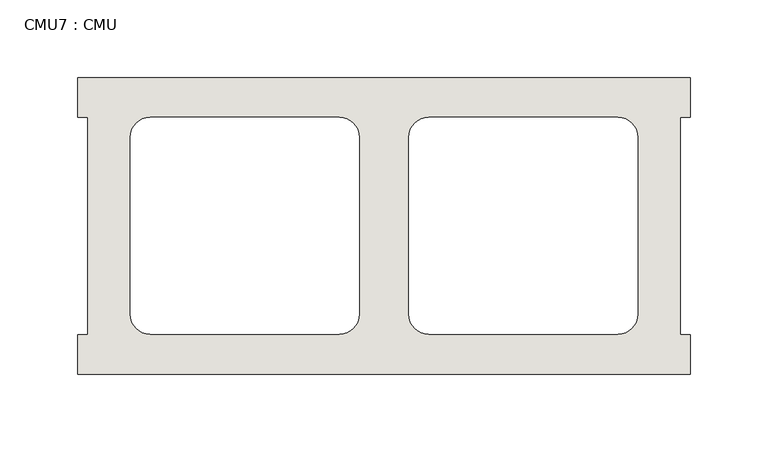
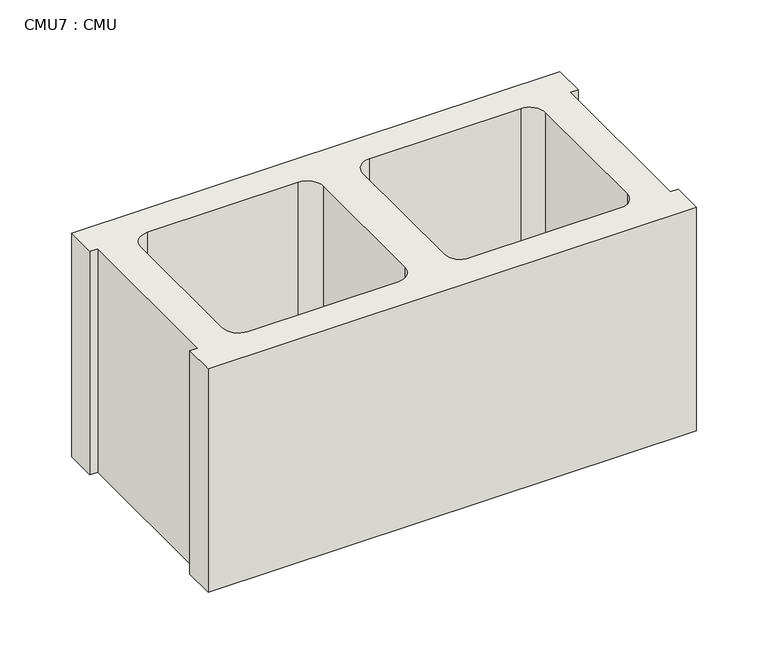
"""IFC4 building model written with IfcOpenShell, lengths in millimetres: wall geometry, CMU7 : CMU."""

from ifc_helpers import new_model, si_unit, point, frame, frame_2d, origin, place, context, project, spatial, polyline, circle_curve, trimmed, segment, composite_curve, outline, extrude, source, transform, mapped, element, save


def cmu7_cmu_43066ac8(model_context):
    return source(origin(), model_context, "Body", "SweptSolid", [
        extrude(outline(polyline([(64.9602062, 2484.2276522), (458.6602062, 2484.2276522), (458.6602062, 2458.8276522), (452.3102062, 2458.8276522), (452.3102062, 2319.1276522), (458.6602062, 2319.1276522), (458.6602062, 2293.7276522), (64.9602062, 2293.7276522), (64.9602062, 2319.1276522), (71.3102062, 2319.1276522), (71.3102062, 2458.8276522), (64.9602062, 2458.8276522), (64.9602062, 2484.2276522)]), holes=[composite_curve([segment(polyline([(233.1282049, 2458.8276522), (111.4115548, 2458.8276522)]), True, "CONTINUOUS"), segment(trimmed(circle_curve(frame_2d((111.4115548, 2446.1276522)), 12.7), [point((111.4115548, 2458.8276522))], [point((98.7115548, 2446.1276522))], True, "CARTESIAN"), True, "CONTINUOUS"), segment(polyline([(98.7115548, 2446.1276522), (98.7115548, 2332.0618125)]), True, "CONTINUOUS"), segment(trimmed(circle_curve(frame_2d((111.4115548, 2332.0618125)), 12.7), [point((98.7115548, 2332.0618125))], [point((111.4115548, 2319.3618125))], True, "CARTESIAN"), True, "CONTINUOUS"), segment(polyline([(111.4115548, 2319.3618125), (233.1282049, 2319.3618125)]), True, "CONTINUOUS"), segment(trimmed(circle_curve(frame_2d((233.1282049, 2332.0618125)), 12.7), [point((233.1282049, 2319.3618125))], [point((245.8282049, 2332.0618125))], True, "CARTESIAN"), True, "CONTINUOUS"), segment(polyline([(245.8282049, 2332.0618125), (245.8282049, 2446.1276522)]), True, "CONTINUOUS"), segment(trimmed(circle_curve(frame_2d((233.1282049, 2446.1276522)), 12.7), [point((245.8282049, 2446.1276522))], [point((233.1282049, 2458.8276522))], True, "CARTESIAN"), True, "CONTINUOUS")], self_intersect=False), composite_curve([segment(trimmed(circle_curve(frame_2d((290.4922075, 2446.1276522)), 12.7), [point((290.4922075, 2458.8276522))], [point((277.7922075, 2446.1276522))], True, "CARTESIAN"), True, "CONTINUOUS"), segment(polyline([(277.7922075, 2446.1276522), (277.7922075, 2332.0618125)]), True, "CONTINUOUS"), segment(trimmed(circle_curve(frame_2d((290.4922075, 2332.0618125)), 12.7), [point((277.7922075, 2332.0618125))], [point((290.4922075, 2319.3618125))], True, "CARTESIAN"), True, "CONTINUOUS"), segment(polyline([(290.4922075, 2319.3618125), (412.2088576, 2319.3618125)]), True, "CONTINUOUS"), segment(trimmed(circle_curve(frame_2d((412.2088576, 2332.0618125)), 12.7), [point((412.2088576, 2319.3618125))], [point((424.9088576, 2332.0618125))], True, "CARTESIAN"), True, "CONTINUOUS"), segment(polyline([(424.9088576, 2332.0618125), (424.9088576, 2446.1276522)]), True, "CONTINUOUS"), segment(trimmed(circle_curve(frame_2d((412.2088576, 2446.1276522)), 12.7), [point((424.9088576, 2446.1276522))], [point((412.2088576, 2458.8276522))], True, "CARTESIAN"), True, "CONTINUOUS"), segment(polyline([(412.2088576, 2458.8276522), (290.4922075, 2458.8276522)]), True, "CONTINUOUS")], self_intersect=False)]), frame((0.0, 0.0, 520.7), z_axis=(0.0, 0.0, 1.0), x_axis=(1.0, 0.0, 0.0)), (0.0, 0.0, 1.0), 190.5),
    ])


if __name__ == "__main__":
    model = new_model("IFC4")
    model_context = context("Model", 3, world=origin())
    ifc_project = project(units=[si_unit("LENGTHUNIT", "METRE", prefix="MILLI")], contexts=[model_context])
    site = spatial("IfcSite", under=ifc_project)
    building = spatial("IfcBuilding", under=site)
    placement = place(None, origin())
    cmu7_cmu_shape = cmu7_cmu_43066ac8(model_context)
    element("IfcWall", 1, ObjectType="CMU7 : CMU", at=placement, inside=building, context=model_context, shape_type="MappedRepresentation", body=[
        mapped(cmu7_cmu_shape, transform((0.0, 0.0, 0.0), x_axis=(1.0, 0.0, 0.0), y_axis=(0.0, 1.0, 0.0), z_axis=(0.0, 0.0, 1.0))),
    ])
    save(model, "model.ifc")
